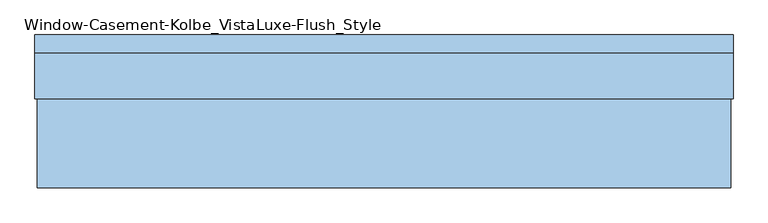
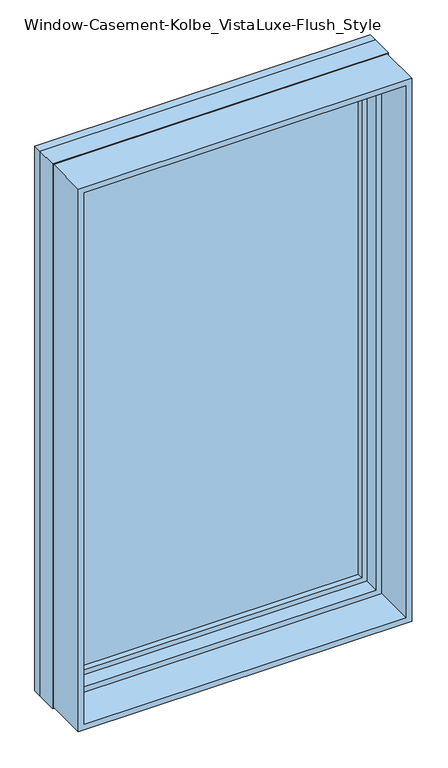
"""IFC4 building model written with IfcOpenShell, lengths in millimetres: window geometry, Window-Casement-Kolbe_VistaLuxe-Flush_Style."""

from ifc_helpers import new_model, si_unit, frame, origin, place, context, project, spatial, polyline, outline, extrude, faceted_brep, source, transform, mapped, element, save


def window_casement_kolbe_vistaluxe_flush_style_c76eaa80(model_context):
    return source(origin(), model_context, "Body", "SolidModel", [
        faceted_brep([(-482.6696599, 121.37898, 970.676875), (471.5765901, 121.37898, 970.676875), (471.5765901, 129.31648, 970.676875), (-482.6696599, 129.31648, 970.676875), (-498.5446599, 99.12858, 954.801875), (487.4515901, 99.12858, 954.801875), (487.4515901, 121.37898, 954.801875), (-498.5446599, 121.37898, 954.801875), (-482.6696599, 80.10398, 970.676875), (471.5765901, 80.10398, 970.676875), (471.5765901, 99.12858, 970.676875), (-482.6696599, 99.12858, 970.676875), (-527.1196599, 129.31648, 926.226875), (516.0265901, 129.31648, 926.226875), (516.0265901, 80.10398, 926.226875), (-527.1196599, 80.10398, 926.226875), (471.5765901, 121.37898, 2686.923125), (471.5765901, 129.31648, 2686.923125), (487.4515901, 99.12858, 2702.798125), (487.4515901, 121.37898, 2702.798125), (471.5765901, 80.10398, 2686.923125), (471.5765901, 99.12858, 2686.923125), (516.0265901, 129.31648, 2731.373125), (516.0265901, 80.10398, 2731.373125), (-482.6696599, 121.37898, 2686.923125), (-482.6696599, 129.31648, 2686.923125), (-498.5446599, 99.12858, 2702.798125), (-498.5446599, 121.37898, 2702.798125), (-482.6696599, 80.10398, 2686.923125), (-482.6696599, 99.12858, 2686.923125), (-527.1196599, 129.31648, 2731.373125), (-527.1196599, 80.10398, 2731.373125)], [[[0, 1, 2, 3]], [[4, 5, 6, 7]], [[8, 9, 10, 11]], [[12, 13, 14, 15]], [[1, 16, 17, 2]], [[5, 18, 19, 6]], [[9, 20, 21, 10]], [[13, 22, 23, 14]], [[16, 24, 25, 17]], [[18, 26, 27, 19]], [[20, 28, 29, 21]], [[22, 30, 31, 23]], [[24, 0, 3, 25]], [[7, 6, 19, 27], [1, 0, 24, 16]], [[26, 4, 7, 27]], [[5, 4, 26, 18], [11, 10, 21, 29]], [[28, 8, 11, 29]], [[15, 14, 23, 31], [9, 8, 28, 20]], [[30, 12, 15, 31]], [[13, 12, 30, 22], [3, 2, 17, 25]]]),
        extrude(outline(polyline([(2739.6186, -535.3651349), (917.9814, -535.3651349), (917.9814, 524.2720651), (2739.6186, 524.2720651), (2739.6186, -535.3651349)]), holes=[polyline([(936.545625, -516.8009099), (2721.054375, -516.8009099), (2721.054375, 505.7078401), (936.545625, 505.7078401), (936.545625, -516.8009099)])]), frame((0.0, -103.1875, 0.0), z_axis=(0.0, 1.0, 0.0), x_axis=(0.0, 0.0, 1.0)), (0.0, 0.0, 1.0), 135.7122),
        extrude(outline(polyline([(2743.2, 527.8534651), (2743.2, -538.9465349), (914.4, -538.9465349), (914.4, 527.8534651), (2743.2, 527.8534651)]), holes=[polyline([(2731.373125, -527.1196599), (2731.373125, 516.0265901), (926.226875, 516.0265901), (926.226875, -527.1196599), (2731.373125, -527.1196599)])]), frame((0.0, 103.1875, 0.0), z_axis=(0.0, 1.0, 0.0), x_axis=(0.0, 0.0, 1.0)), (0.0, 0.0, 1.0), 26.924),
        faceted_brep([(527.8534651, 32.5247, 914.4), (-538.9465349, 32.5247, 914.4), (-538.9465349, 103.1875, 914.4), (527.8534651, 103.1875, 914.4), (505.7078401, 80.10525, 936.545625), (-516.8009099, 80.10525, 936.545625), (-516.8009099, 32.5247, 936.545625), (505.7078401, 32.5247, 936.545625), (516.0265901, 103.1875, 926.226875), (-527.1196599, 103.1875, 926.226875), (-527.1196599, 80.10525, 926.226875), (516.0265901, 80.10525, 926.226875), (-538.9465349, 32.5247, 2743.2), (-538.9465349, 103.1875, 2743.2), (-516.8009099, 80.10525, 2721.054375), (-516.8009099, 32.5247, 2721.054375), (-527.1196599, 103.1875, 2731.373125), (-527.1196599, 80.10525, 2731.373125), (527.8534651, 32.5247, 2743.2), (527.8534651, 103.1875, 2743.2), (505.7078401, 80.10525, 2721.054375), (505.7078401, 32.5247, 2721.054375), (516.0265901, 103.1875, 2731.373125), (516.0265901, 80.10525, 2731.373125)], [[[0, 1, 2, 3]], [[4, 5, 6, 7]], [[8, 9, 10, 11]], [[1, 12, 13, 2]], [[5, 14, 15, 6]], [[9, 16, 17, 10]], [[12, 18, 19, 13]], [[14, 20, 21, 15]], [[16, 22, 23, 17]], [[18, 0, 3, 19]], [[1, 0, 18, 12], [7, 6, 15, 21]], [[20, 4, 7, 21]], [[11, 10, 17, 23], [5, 4, 20, 14]], [[22, 8, 11, 23]], [[3, 2, 13, 19], [9, 8, 22, 16]]]),
        extrude(outline(polyline([(484.2765901, 102.30358), (484.2765901, 99.12858), (-495.3696599, 99.12858), (-495.3696599, 102.30358), (484.2765901, 102.30358)])), frame((0.0, 0.0, 957.976875), z_axis=(0.0, 0.0, 1.0), x_axis=(1.0, 0.0, 0.0)), (0.0, 0.0, 1.0), 1741.64625),
        extrude(outline(polyline([(484.2765901, 118.20398), (-495.3696599, 118.20398), (-495.3696599, 121.37898), (484.2765901, 121.37898), (484.2765901, 118.20398)])), frame((0.0, 0.0, 957.976875), z_axis=(0.0, 0.0, 1.0), x_axis=(1.0, 0.0, 0.0)), (0.0, 0.0, 1.0), 1741.64625),
        extrude(outline(polyline([(936.545625, -516.8009099), (936.545625, 505.7078401), (2721.054375, 505.7078401), (2721.054375, -516.8009099), (936.545625, -516.8009099)]), holes=[polyline([(954.801875, 487.4515901), (954.801875, -498.5446599), (2702.798125, -498.5446599), (2702.798125, 487.4515901), (954.801875, 487.4515901)])]), frame((0.0, 29.30525, 0.0), z_axis=(0.0, 1.0, 0.0), x_axis=(0.0, 0.0, 1.0)), (0.0, 0.0, 1.0), 50.8),
    ])


if __name__ == "__main__":
    model = new_model("IFC4")
    model_context = context("Model", 3, world=origin())
    ifc_project = project(units=[si_unit("LENGTHUNIT", "METRE", prefix="MILLI")], contexts=[model_context])
    site = spatial("IfcSite", under=ifc_project)
    building = spatial("IfcBuilding", under=site)
    placement = place(None, origin())
    window_casement_kolbe_vistaluxe_flush_style_shape = window_casement_kolbe_vistaluxe_flush_style_c76eaa80(model_context)
    element("IfcWindow", 1, ObjectType="Window-Casement-Kolbe_VistaLuxe-Flush_Style", at=placement, inside=building, context=model_context, shape_type="MappedRepresentation", body=[
        mapped(window_casement_kolbe_vistaluxe_flush_style_shape, transform((0.0, 0.0, 0.0), x_axis=(1.0, 0.0, 0.0), y_axis=(0.0, 1.0, 0.0), z_axis=(0.0, 0.0, 1.0))),
    ])
    save(model, "model.ifc")
